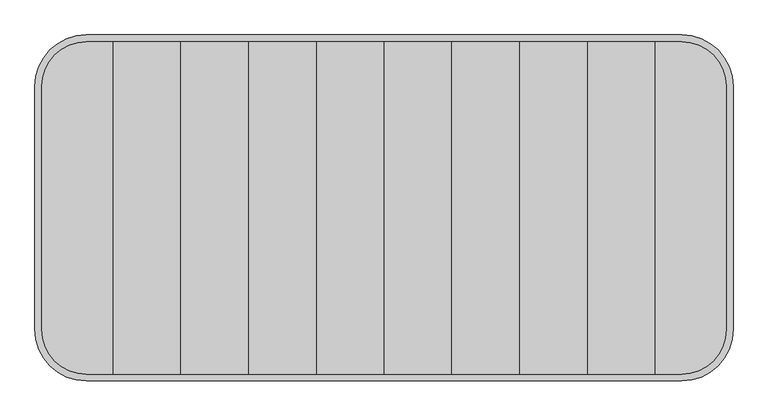
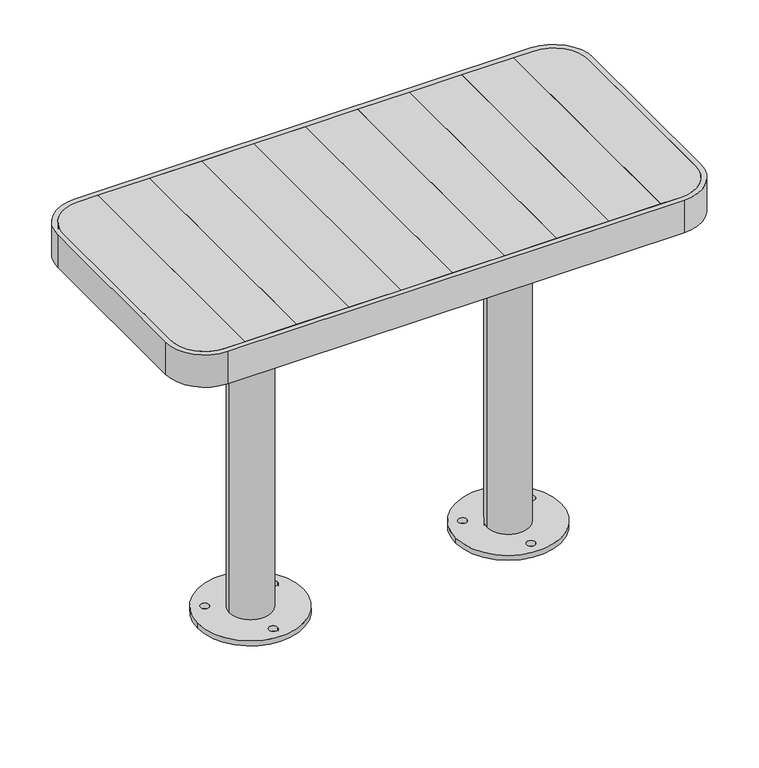
"""IFC4 building model written with IfcOpenShell, lengths in millimetres: furniture geometry."""

from ifc_helpers import new_model, si_unit, point, frame, frame_2d, origin, origin_with_axes, place, context, project, spatial, polyline, circle_curve, trimmed, segment, composite_curve, outline, extrude, source, transform, mapped, element, save
from ifc_brep_helpers import plane_surface, cylinder_surface, advanced_brep


def furniture_936f2a3d(model_context):
    return source(origin(), model_context, "Body", "SolidModel", [
        extrude(outline(composite_curve([segment(polyline([(498.4574582, 177.0), (498.4574582, -177.0)]), True, "CONTINUOUS"), segment(trimmed(circle_curve(frame_2d((433.4574582, -177.0)), 65.0), [point((498.4574582, -177.0))], [point((433.4574582, -242.0))], False, "CARTESIAN"), True, "CONTINUOUS"), segment(polyline([(433.4574582, -242.0), (394.8, -242.0), (394.8, 242.0), (433.4574582, 242.0)]), True, "CONTINUOUS"), segment(trimmed(circle_curve(frame_2d((433.4574582, 177.0)), 65.0), [point((433.4574582, 242.0))], [point((498.4574582, 177.0))], False, "CARTESIAN"), True, "CONTINUOUS")], self_intersect=False)), frame((0.0, 0.0, 712.0), z_axis=(0.0, 0.0, 1.0), x_axis=(1.0, 0.0, 0.0)), (0.0, 0.0, 1.0), 28.0),
        extrude(outline(polyline([(296.1, -242.0), (197.4, -242.0), (197.4, 242.0), (296.1, 242.0), (296.1, -242.0)])), frame((0.0, 0.0, 712.0), z_axis=(0.0, 0.0, 1.0), x_axis=(1.0, 0.0, 0.0)), (0.0, 0.0, 1.0), 28.0),
        extrude(outline(polyline([(197.4, -242.0), (98.7, -242.0), (98.7, 242.0), (197.4, 242.0), (197.4, -242.0)])), frame((0.0, 0.0, 712.0), z_axis=(0.0, 0.0, 1.0), x_axis=(1.0, 0.0, 0.0)), (0.0, 0.0, 1.0), 28.0),
        extrude(outline(polyline([(98.7, -242.0), (0.0, -242.0), (0.0, 242.0), (98.7, 242.0), (98.7, -242.0)])), frame((0.0, 0.0, 712.0), z_axis=(0.0, 0.0, 1.0), x_axis=(1.0, 0.0, 0.0)), (0.0, 0.0, 1.0), 28.0),
        extrude(outline(polyline([(394.8, -242.0), (296.1, -242.0), (296.1, 242.0), (394.8, 242.0), (394.8, -242.0)])), frame((0.0, 0.0, 712.0), z_axis=(0.0, 0.0, 1.0), x_axis=(1.0, 0.0, 0.0)), (0.0, 0.0, 1.0), 28.0),
        extrude(outline(composite_curve([segment(trimmed(circle_curve(frame_2d((-433.4574582, 177.0)), 65.0), [point((-498.4574582, 177.0))], [point((-433.4574582, 242.0))], False, "CARTESIAN"), True, "CONTINUOUS"), segment(polyline([(-433.4574582, 242.0), (-394.8, 242.0), (-394.8, -242.0), (-433.4574582, -242.0)]), True, "CONTINUOUS"), segment(trimmed(circle_curve(frame_2d((-433.4574582, -177.0)), 65.0), [point((-433.4574582, -242.0))], [point((-498.4574582, -177.0))], False, "CARTESIAN"), True, "CONTINUOUS"), segment(polyline([(-498.4574582, -177.0), (-498.4574582, 177.0)]), True, "CONTINUOUS")], self_intersect=False)), frame((0.0, 0.0, 712.0), z_axis=(0.0, 0.0, 1.0), x_axis=(1.0, 0.0, 0.0)), (0.0, 0.0, 1.0), 28.0),
        extrude(outline(polyline([(-197.4, -242.0), (-296.1, -242.0), (-296.1, 242.0), (-197.4, 242.0), (-197.4, -242.0)])), frame((0.0, 0.0, 712.0), z_axis=(0.0, 0.0, 1.0), x_axis=(1.0, 0.0, 0.0)), (0.0, 0.0, 1.0), 28.0),
        extrude(outline(polyline([(-98.7, -242.0), (-197.4, -242.0), (-197.4, 242.0), (-98.7, 242.0), (-98.7, -242.0)])), frame((0.0, 0.0, 712.0), z_axis=(0.0, 0.0, 1.0), x_axis=(1.0, 0.0, 0.0)), (0.0, 0.0, 1.0), 28.0),
        extrude(outline(polyline([(0.0, -242.0), (-98.7, -242.0), (-98.7, 242.0), (0.0, 242.0), (0.0, -242.0)])), frame((0.0, 0.0, 712.0), z_axis=(0.0, 0.0, 1.0), x_axis=(1.0, 0.0, 0.0)), (0.0, 0.0, 1.0), 28.0),
        extrude(outline(polyline([(-296.1, -242.0), (-394.8, -242.0), (-394.8, 242.0), (-296.1, 242.0), (-296.1, -242.0)])), frame((0.0, 0.0, 712.0), z_axis=(0.0, 0.0, 1.0), x_axis=(1.0, 0.0, 0.0)), (0.0, 0.0, 1.0), 28.0),
        extrude(outline(composite_curve([segment(trimmed(circle_curve(frame_2d((244.7728082, 0.0)), 100.0), [point((344.7728082, 0.0))], [point((144.7728082, 0.0))], False, "CARTESIAN"), True, "CONTINUOUS"), segment(trimmed(circle_curve(frame_2d((244.7728082, 0.0)), 100.0), [point((144.7728082, 0.0))], [point((344.7728082, 0.0))], False, "CARTESIAN"), True, "CONTINUOUS")], self_intersect=False), holes=[composite_curve([segment(trimmed(circle_curve(frame_2d((309.7299968, 37.4460209)), 8.0), [point((317.7299968, 37.4460209))], [point((301.7299968, 37.4460209))], True, "CARTESIAN"), True, "CONTINUOUS"), segment(trimmed(circle_curve(frame_2d((309.7299968, 37.4460209)), 8.0), [point((301.7299968, 37.4460209))], [point((317.7299968, 37.4460209))], True, "CARTESIAN"), True, "CONTINUOUS")], self_intersect=False), composite_curve([segment(trimmed(circle_curve(frame_2d((179.7299968, 37.4460209)), 8.0), [point((187.7299968, 37.4460209))], [point((171.7299968, 37.4460209))], True, "CARTESIAN"), True, "CONTINUOUS"), segment(trimmed(circle_curve(frame_2d((179.7299968, 37.4460209)), 8.0), [point((171.7299968, 37.4460209))], [point((187.7299968, 37.4460209))], True, "CARTESIAN"), True, "CONTINUOUS")], self_intersect=False), composite_curve([segment(trimmed(circle_curve(frame_2d((244.7299968, -75.1372816)), 8.0), [point((252.7299968, -75.1372816))], [point((236.7299968, -75.1372816))], True, "CARTESIAN"), True, "CONTINUOUS"), segment(trimmed(circle_curve(frame_2d((244.7299968, -75.1372816)), 8.0), [point((236.7299968, -75.1372816))], [point((252.7299968, -75.1372816))], True, "CARTESIAN"), True, "CONTINUOUS")], self_intersect=False)]), origin_with_axes(), (0.0, 0.0, 1.0), 9.9997207),
        extrude(outline(composite_curve([segment(trimmed(circle_curve(frame_2d((244.75, 0.0)), 40.0), [point((284.75, 0.0))], [point((204.75, 0.0))], False, "CARTESIAN"), True, "CONTINUOUS"), segment(trimmed(circle_curve(frame_2d((244.75, 0.0)), 40.0), [point((204.75, 0.0))], [point((284.75, 0.0))], False, "CARTESIAN"), True, "CONTINUOUS")], self_intersect=False)), origin_with_axes(), (0.0, 0.0, 1.0), 708.0),
        extrude(outline(composite_curve([segment(trimmed(circle_curve(frame_2d((-244.7728082, 0.0)), 100.0), [point((-344.7728082, 0.0))], [point((-144.7728082, 0.0))], False, "CARTESIAN"), True, "CONTINUOUS"), segment(trimmed(circle_curve(frame_2d((-244.7728082, 0.0)), 100.0), [point((-144.7728082, 0.0))], [point((-344.7728082, 0.0))], False, "CARTESIAN"), True, "CONTINUOUS")], self_intersect=False), holes=[composite_curve([segment(trimmed(circle_curve(frame_2d((-309.7299968, 37.4460209)), 8.0), [point((-317.7299968, 37.4460209))], [point((-301.7299968, 37.4460209))], True, "CARTESIAN"), True, "CONTINUOUS"), segment(trimmed(circle_curve(frame_2d((-309.7299968, 37.4460209)), 8.0), [point((-301.7299968, 37.4460209))], [point((-317.7299968, 37.4460209))], True, "CARTESIAN"), True, "CONTINUOUS")], self_intersect=False), composite_curve([segment(trimmed(circle_curve(frame_2d((-179.7299968, 37.4460209)), 8.0), [point((-187.7299968, 37.4460209))], [point((-171.7299968, 37.4460209))], True, "CARTESIAN"), True, "CONTINUOUS"), segment(trimmed(circle_curve(frame_2d((-179.7299968, 37.4460209)), 8.0), [point((-171.7299968, 37.4460209))], [point((-187.7299968, 37.4460209))], True, "CARTESIAN"), True, "CONTINUOUS")], self_intersect=False), composite_curve([segment(trimmed(circle_curve(frame_2d((-244.7299968, -75.1372816)), 8.0), [point((-252.7299968, -75.1372816))], [point((-236.7299968, -75.1372816))], True, "CARTESIAN"), True, "CONTINUOUS"), segment(trimmed(circle_curve(frame_2d((-244.7299968, -75.1372816)), 8.0), [point((-236.7299968, -75.1372816))], [point((-252.7299968, -75.1372816))], True, "CARTESIAN"), True, "CONTINUOUS")], self_intersect=False)]), origin_with_axes(), (0.0, 0.0, 1.0), 9.9997207),
        extrude(outline(composite_curve([segment(trimmed(circle_curve(frame_2d((-244.75, 0.0)), 40.0), [point((-284.75, 0.0))], [point((-204.75, 0.0))], False, "CARTESIAN"), True, "CONTINUOUS"), segment(trimmed(circle_curve(frame_2d((-244.75, 0.0)), 40.0), [point((-204.75, 0.0))], [point((-284.75, 0.0))], False, "CARTESIAN"), True, "CONTINUOUS")], self_intersect=False)), origin_with_axes(), (0.0, 0.0, 1.0), 708.0),
        advanced_brep(
        [(-498.4574582, 177.0, 708.0), (-433.4574582, 242.0, 708.0), (433.4574582, 242.0, 708.0), (498.4574582, 177.0, 708.0), (498.4574582, -177.0, 708.0), (433.4574582, -242.0, 708.0), (-433.4574582, -242.0, 708.0), (-498.4574582, -177.0, 708.0), (-284.75, -142.0, 708.0), (-284.75, 142.0, 708.0), (-399.8, 141.9868511, 708.0), (-399.8, -142.0, 708.0), (-203.7333261, 142.0, 708.0), (-203.7333261, -142.0, 708.0), (203.7333261, -142.0, 708.0), (203.7333261, 142.0, 708.0), (399.8, 141.9868511, 708.0), (284.75, 141.9893576, 708.0), (284.75, -142.0, 708.0), (399.8, -142.0, 708.0), (-284.75, -142.0, 712.0), (-284.75, 142.0, 712.0), (-498.4574582, 177.0, 712.0), (-498.4574582, -177.0, 712.0), (-433.4574582, -242.0, 712.0), (433.4574582, -242.0, 712.0), (498.4574582, -177.0, 712.0), (498.4574582, 177.0, 712.0), (433.4574582, 242.0, 712.0), (-433.4574582, 242.0, 712.0), (-399.8, -142.0, 712.0), (-399.8, 141.9868511, 712.0), (-203.7333261, -142.0, 712.0), (-203.7333261, 142.0, 712.0), (203.7333261, 141.9911227, 712.0), (203.7333261, -142.0, 712.0), (399.8, -142.0, 712.0), (284.75, -142.0, 712.0), (284.75, 142.0, 712.0), (399.8, 141.9868511, 712.0)],
        [
            (0, 1, circle_curve(frame((-433.4574582, 177.0, 708.0), z_axis=(0.0, 0.0, -1.0), x_axis=(1.0, 0.0, 0.0)), 65.0)),
            (1, 2),
            (2, 3, circle_curve(frame((433.4574582, 177.0, 708.0), z_axis=(0.0, 0.0, -1.0), x_axis=(-1.0, 0.0, 0.0)), 65.0)),
            (3, 4),
            (4, 5, circle_curve(frame((433.4574582, -177.0, 708.0), z_axis=(0.0, 0.0, -1.0), x_axis=(-1.0, 0.0, 0.0)), 65.0)),
            (5, 6),
            (6, 7, circle_curve(frame((-433.4574582, -177.0, 708.0), z_axis=(0.0, 0.0, -1.0), x_axis=(1.0, 0.0, 0.0)), 65.0)),
            (7, 0),
            (8, 9),
            (9, 10),
            (10, 11),
            (11, 8),
            (12, 13),
            (13, 14),
            (14, 15),
            (15, 12),
            (16, 17),
            (17, 18),
            (18, 19),
            (19, 16),
            (8, 20),
            (20, 21),
            (21, 9),
            (22, 23),
            (23, 24, circle_curve(frame((-433.4574582, -177.0, 712.0), z_axis=(0.0, 0.0, 1.0), x_axis=(1.0, 0.0, 0.0)), 65.0)),
            (24, 25),
            (25, 26, circle_curve(frame((433.4574582, -177.0, 712.0), z_axis=(0.0, 0.0, 1.0), x_axis=(-1.0, 0.0, 0.0)), 65.0)),
            (26, 27),
            (27, 28, circle_curve(frame((433.4574582, 177.0, 712.0), z_axis=(0.0, 0.0, 1.0), x_axis=(-1.0, 0.0, 0.0)), 65.0)),
            (28, 29),
            (29, 22, circle_curve(frame((-433.4574582, 177.0, 712.0), z_axis=(0.0, 0.0, 1.0), x_axis=(1.0, 0.0, 0.0)), 65.0)),
            (20, 30),
            (30, 31),
            (31, 21),
            (32, 33),
            (33, 34),
            (34, 35),
            (35, 32),
            (36, 37),
            (37, 38),
            (38, 39),
            (39, 36),
            (12, 33),
            (32, 13),
            (22, 0),
            (7, 23),
            (6, 24),
            (5, 25),
            (4, 26),
            (3, 27),
            (2, 28),
            (1, 29),
            (15, 34),
            (31, 10),
            (16, 39),
            (38, 17),
            (19, 36),
            (35, 14),
            (18, 37),
            (11, 30),
        ],
        [
            plane_surface(frame((-284.75, -142.0, 708.0), z_axis=(0.0, 0.0, -1.0), x_axis=(0.0, 1.0, 0.0))),
            plane_surface(frame((-284.75, -142.0, 712.0), z_axis=(-1.0, 0.0, 0.0), x_axis=(0.0, 1.0, 0.0))),
            plane_surface(frame((-203.7333261, -142.0, 712.0), z_axis=(0.0, 0.0, 1.0), x_axis=(0.0, 1.0, 0.0))),
            plane_surface(frame((-203.7333261, -142.0, 708.0), z_axis=(1.0, 0.0, 0.0), x_axis=(0.0, 1.0, 0.0))),
            plane_surface(frame((-498.4574582, 177.0, 712.0), z_axis=(-1.0, 0.0, 0.0), x_axis=(0.0, 0.0, -1.0))),
            cylinder_surface(frame((-433.4574582, -177.0, 708.0), z_axis=(0.0, 0.0, 1.0), x_axis=(1.0, 0.0, 0.0)), 65.0),
            plane_surface(frame((-433.4574582, -242.0, 712.0), z_axis=(0.0, -1.0, 0.0), x_axis=(0.0, 0.0, -1.0))),
            cylinder_surface(frame((433.4574582, -177.0, 708.0), z_axis=(0.0, 0.0, 1.0), x_axis=(-1.0, 0.0, 0.0)), 65.0),
            plane_surface(frame((498.4574582, -177.0, 712.0), z_axis=(1.0, 0.0, 0.0), x_axis=(0.0, 0.0, -1.0))),
            cylinder_surface(frame((433.4574582, 177.0, 708.0), z_axis=(0.0, 0.0, 1.0), x_axis=(-1.0, 0.0, 0.0)), 65.0),
            plane_surface(frame((433.4574582, 242.0, 712.0), z_axis=(0.0, 1.0, 0.0), x_axis=(0.0, 0.0, -1.0))),
            cylinder_surface(frame((-433.4574582, 177.0, 708.0), z_axis=(0.0, 0.0, 1.0), x_axis=(1.0, 0.0, 0.0)), 65.0),
            plane_surface(frame((-399.8, 141.9868511, 712.0), z_axis=(0.0, -1.0, 0.0), x_axis=(0.0, 0.0, -1.0))),
            plane_surface(frame((399.8, 141.9868511, 712.0), z_axis=(-1.0, 0.0, 0.0), x_axis=(0.0, 0.0, -1.0))),
            plane_surface(frame((399.8, -142.0, 712.0), z_axis=(0.0, 1.0, 0.0), x_axis=(0.0, 0.0, -1.0))),
            plane_surface(frame((-399.8, -142.0, 712.0), z_axis=(1.0, 0.0, 0.0), x_axis=(0.0, 0.0, -1.0))),
            plane_surface(frame((284.75, -142.0, 708.0), z_axis=(1.0, 0.0, 0.0), x_axis=(0.0, 1.0, 0.0))),
            plane_surface(frame((203.7333261, -142.0, 712.0), z_axis=(-1.0, 0.0, 0.0), x_axis=(0.0, 1.0, 0.0))),
        ],
        [
            (0, [[1, 2, 3, 4, 5, 6, 7, 8], [9, 10, 11, 12], [13, 14, 15, 16], [17, 18, 19, 20]]),
            (1, [[-9, 21, 22, 23]]),
            (2, [[24, 25, 26, 27, 28, 29, 30, 31], [-22, 32, 33, 34], [35, 36, 37, 38], [39, 40, 41, 42]]),
            (3, [[-13, 43, -35, 44]]),
            (4, [[-24, 45, -8, 46]]),
            (5, [[-25, -46, -7, 47]]),
            (6, [[-26, -47, -6, 48]]),
            (7, [[-27, -48, -5, 49]]),
            (8, [[-28, -49, -4, 50]]),
            (9, [[-29, -50, -3, 51]]),
            (10, [[-30, -51, -2, 52]]),
            (11, [[-31, -52, -1, -45]]),
            (12, [[-43, -16, 53, -36]]),
            (12, [[54, -10, -23, -34]]),
            (12, [[55, -41, 56, -17]]),
            (13, [[-42, -55, -20, 57]]),
            (14, [[-44, -38, 58, -14]]),
            (14, [[-57, -19, 59, -39]]),
            (14, [[60, -32, -21, -12]]),
            (15, [[-33, -60, -11, -54]]),
            (16, [[-18, -56, -40, -59]]),
            (17, [[-15, -58, -37, -53]]),
        ],
    ),
        extrude(outline(composite_curve([segment(polyline([(508.4574582, 177.0), (508.4574582, -177.0)]), True, "CONTINUOUS"), segment(trimmed(circle_curve(frame_2d((433.4574582, -177.0)), 75.0), [point((508.4574582, -177.0))], [point((433.4574582, -252.0))], False, "CARTESIAN"), True, "CONTINUOUS"), segment(polyline([(433.4574582, -252.0), (-433.4574582, -252.0)]), True, "CONTINUOUS"), segment(trimmed(circle_curve(frame_2d((-433.4574582, -177.0)), 75.0), [point((-433.4574582, -252.0))], [point((-508.4574582, -177.0))], False, "CARTESIAN"), True, "CONTINUOUS"), segment(polyline([(-508.4574582, -177.0), (-508.4574582, 177.0)]), True, "CONTINUOUS"), segment(trimmed(circle_curve(frame_2d((-433.4574582, 177.0)), 75.0), [point((-508.4574582, 177.0))], [point((-433.4574582, 252.0))], False, "CARTESIAN"), True, "CONTINUOUS"), segment(polyline([(-433.4574582, 252.0), (433.4574582, 252.0)]), True, "CONTINUOUS"), segment(trimmed(circle_curve(frame_2d((433.4574582, 177.0)), 75.0), [point((433.4574582, 252.0))], [point((508.4574582, 177.0))], False, "CARTESIAN"), True, "CONTINUOUS")], self_intersect=False), holes=[composite_curve([segment(trimmed(circle_curve(frame_2d((-433.4574582, 177.0)), 65.0), [point((-433.4574582, 242.0))], [point((-498.4574582, 177.0))], True, "CARTESIAN"), True, "CONTINUOUS"), segment(polyline([(-498.4574582, 177.0), (-498.4574582, -177.0)]), True, "CONTINUOUS"), segment(trimmed(circle_curve(frame_2d((-433.4574582, -177.0)), 65.0), [point((-498.4574582, -177.0))], [point((-433.4574582, -242.0))], True, "CARTESIAN"), True, "CONTINUOUS"), segment(polyline([(-433.4574582, -242.0), (433.4574582, -242.0)]), True, "CONTINUOUS"), segment(trimmed(circle_curve(frame_2d((433.4574582, -177.0)), 65.0), [point((433.4574582, -242.0))], [point((498.4574582, -177.0))], True, "CARTESIAN"), True, "CONTINUOUS"), segment(polyline([(498.4574582, -177.0), (498.4574582, 177.0)]), True, "CONTINUOUS"), segment(trimmed(circle_curve(frame_2d((433.4574582, 177.0)), 65.0), [point((498.4574582, 177.0))], [point((433.4574582, 242.0))], True, "CARTESIAN"), True, "CONTINUOUS"), segment(polyline([(433.4574582, 242.0), (-433.4574582, 242.0)]), True, "CONTINUOUS")], self_intersect=False)]), frame((0.0, 0.0, 675.0000413), z_axis=(0.0, 0.0, 1.0), x_axis=(1.0, 0.0, 0.0)), (0.0, 0.0, 1.0), 64.9999587),
    ])


if __name__ == "__main__":
    model = new_model("IFC4")
    model_context = context("Model", 3, world=origin())
    ifc_project = project(units=[si_unit("LENGTHUNIT", "METRE", prefix="MILLI")], contexts=[model_context])
    site = spatial("IfcSite", under=ifc_project)
    building = spatial("IfcBuilding", under=site)
    placement = place(None, origin())
    furniture_shape = furniture_936f2a3d(model_context)
    element("IfcFurniture", 1, at=placement, inside=building, context=model_context, shape_type="MappedRepresentation", body=[
        mapped(furniture_shape, transform((0.0, 0.0, 0.0), x_axis=(1.0, 0.0, 0.0), y_axis=(0.0, 1.0, 0.0), z_axis=(0.0, 0.0, 1.0))),
    ])
    save(model, "model.ifc")
